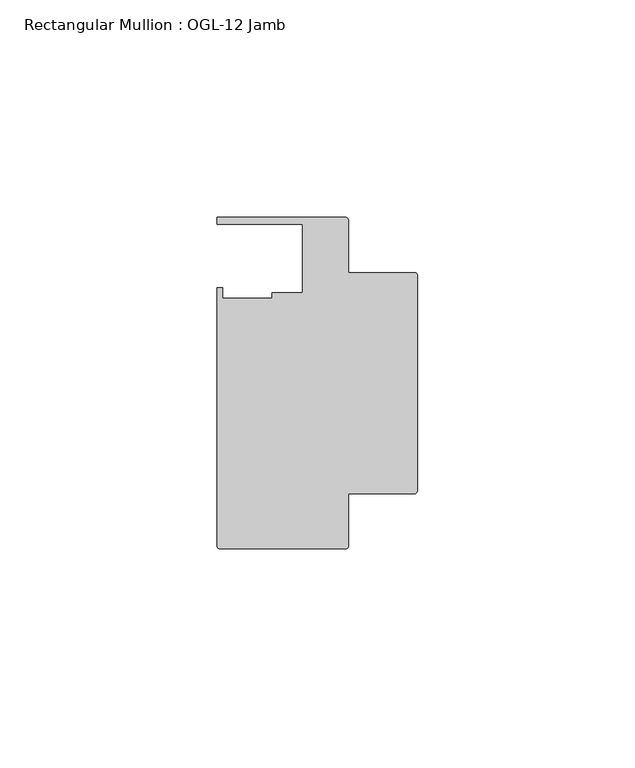
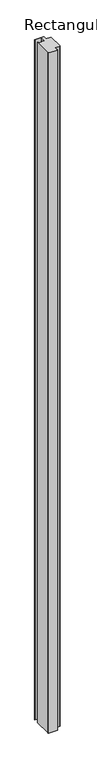
"""IFC4 building model written with IfcOpenShell, lengths in millimetres: member geometry, Rectangular Mullion : OGL-12 Jamb."""

from ifc_helpers import new_model, si_unit, point, frame, frame_2d, origin, place, context, project, spatial, polyline, circle_curve, trimmed, segment, composite_curve, outline, extrude, source, transform, mapped, element, save


def rectangular_mullion_ogl_12_jamb_006f20f9(model_context):
    return source(origin(), model_context, "Body", "SweptSolid", [
        extrude(outline(composite_curve([segment(polyline([(-0.5953125, -25.4), (-15.8750672, -25.4), (-15.8750672, -37.5043667)]), True, "CONTINUOUS"), segment(trimmed(circle_curve(frame_2d((-16.4703797, -37.5043667)), 0.5953125), [point((-15.8750672, -37.5043667))], [point((-16.4703797, -38.0996792))], False, "CARTESIAN"), True, "CONTINUOUS"), segment(polyline([(-16.4703797, -38.0996792), (-45.4386473, -38.0996792)]), True, "CONTINUOUS"), segment(trimmed(circle_curve(frame_2d((-45.4386473, -37.5043667)), 0.5953125), [point((-45.4386473, -38.0996792))], [point((-46.0339598, -37.5043667))], False, "CARTESIAN"), True, "CONTINUOUS"), segment(polyline([(-46.0339598, -37.5043667), (-46.0339598, 21.9710976), (-44.7780305, 21.9710976), (-44.7780305, 19.4824275), (-33.3985545, 19.4824275), (-33.3985545, 20.8257348), (-26.3720794, 20.8257348), (-26.3720794, 36.512516), (-46.0248655, 36.512516), (-46.0248655, 38.100016), (-16.4703797, 38.100016)]), True, "CONTINUOUS"), segment(trimmed(circle_curve(frame_2d((-16.4703797, 37.5047035)), 0.5953125), [point((-16.4703797, 38.100016))], [point((-15.8750672, 37.5047035))], False, "CARTESIAN"), True, "CONTINUOUS"), segment(polyline([(-15.8750672, 37.5047035), (-15.8750672, 25.4), (-0.5953125, 25.4)]), True, "CONTINUOUS"), segment(trimmed(circle_curve(frame_2d((-0.5953125, 24.8046875)), 0.5953125), [point((-0.5953125, 25.4))], [point((0.0, 24.8046875))], False, "CARTESIAN"), True, "CONTINUOUS"), segment(polyline([(0.0, 24.8046875), (0.0, -24.8046875)]), True, "CONTINUOUS"), segment(trimmed(circle_curve(frame_2d((-0.5953125, -24.8046875)), 0.5953125), [point((0.0, -24.8046875))], [point((-0.5953125, -25.4))], False, "CARTESIAN"), True, "CONTINUOUS")], self_intersect=False)), frame((0.0, 0.0, -2339.9738578), z_axis=(0.0, 0.0, 1.0), x_axis=(1.0, 0.0, 0.0)), (0.0, 0.0, 1.0), 2339.9738578),
    ])


if __name__ == "__main__":
    model = new_model("IFC4")
    model_context = context("Model", 3, world=origin())
    ifc_project = project(units=[si_unit("LENGTHUNIT", "METRE", prefix="MILLI")], contexts=[model_context])
    site = spatial("IfcSite", under=ifc_project)
    building = spatial("IfcBuilding", under=site)
    placement = place(None, origin())
    rectangular_mullion_ogl_12_jamb_shape = rectangular_mullion_ogl_12_jamb_006f20f9(model_context)
    element("IfcMember", 1, ObjectType="Rectangular Mullion : OGL-12 Jamb", at=placement, inside=building, context=model_context, shape_type="MappedRepresentation", body=[
        mapped(rectangular_mullion_ogl_12_jamb_shape, transform((0.0, 0.0, 0.0), x_axis=(1.0, 0.0, 0.0), y_axis=(0.0, 1.0, 0.0), z_axis=(0.0, 0.0, 1.0))),
    ])
    save(model, "model.ifc")
